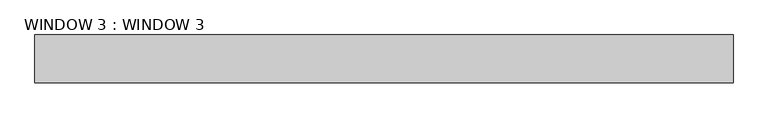
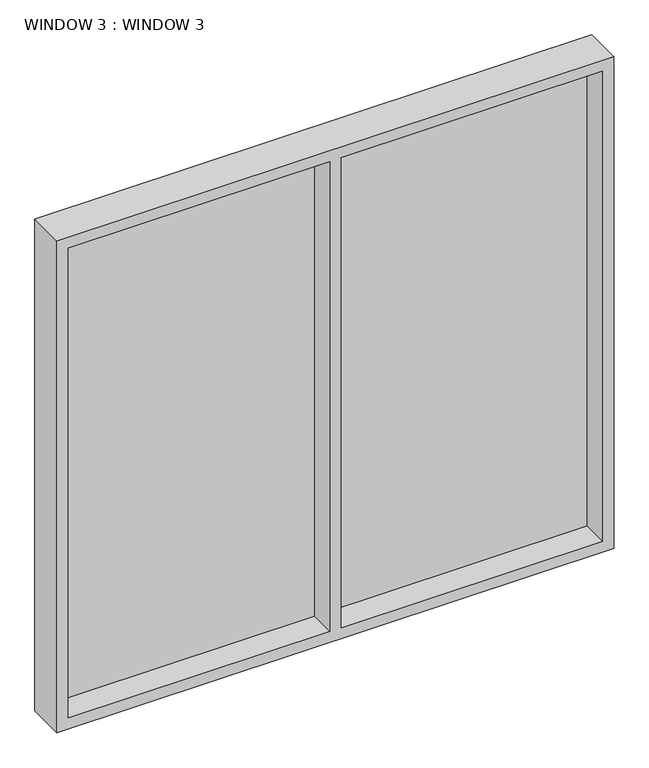
"""IFC4 building model written with IfcOpenShell, lengths in millimetres: proxy geometry, WINDOW 3 : WINDOW 3."""

from ifc_helpers import new_model, si_unit, frame, origin, place, context, project, spatial, polyline, outline, extrude, source, transform, mapped, element, save


def window_3_window_3_acba586b(model_context):
    return source(origin(), model_context, "Body", "SweptSolid", [
        extrude(outline(polyline([(-12504.1749894, -527.1), (-10184.1749894, -527.1), (-10184.1749894, -537.1), (-12504.1749894, -537.1), (-12504.1749894, -527.1)])), frame((0.0, 0.0, 6570.0), z_axis=(0.0, 0.0, 1.0), x_axis=(1.0, 0.0, 0.0)), (0.0, 0.0, 1.0), 2156.064088),
        extrude(outline(polyline([(8780.0, -10134.1749894), (8780.0, -12554.1749894), (6520.0, -12554.1749894), (6520.0, -10134.1749894), (8780.0, -10134.1749894)]), holes=[polyline([(8730.0, -10184.1749894), (6570.0, -10184.1749894), (6570.0, -11319.1749894), (8730.0, -11319.1749894), (8730.0, -10184.1749894)]), polyline([(6570.0, -12504.1749894), (8730.0, -12504.1749894), (8730.0, -11369.1749894), (6570.0, -11369.1749894), (6570.0, -12504.1749894)])]), frame((0.0, -653.0, 0.0), z_axis=(0.0, 1.0, 0.0), x_axis=(0.0, 0.0, 1.0)), (0.0, 0.0, 1.0), 165.9),
    ])


if __name__ == "__main__":
    model = new_model("IFC4")
    model_context = context("Model", 3, world=origin())
    ifc_project = project(units=[si_unit("LENGTHUNIT", "METRE", prefix="MILLI")], contexts=[model_context])
    site = spatial("IfcSite", under=ifc_project)
    building = spatial("IfcBuilding", under=site)
    placement = place(None, origin())
    window_3_window_3_shape = window_3_window_3_acba586b(model_context)
    element("IfcBuildingElementProxy", 1, Name="WINDOW 3 : WINDOW 3", ObjectType="WINDOW 3 : WINDOW 3", at=placement, inside=building, context=model_context, shape_type="MappedRepresentation", body=[
        mapped(window_3_window_3_shape, transform((0.0, 0.0, 0.0), x_axis=(1.0, 0.0, 0.0), y_axis=(0.0, 1.0, 0.0), z_axis=(0.0, 0.0, 1.0))),
    ])
    save(model, "model.ifc")
